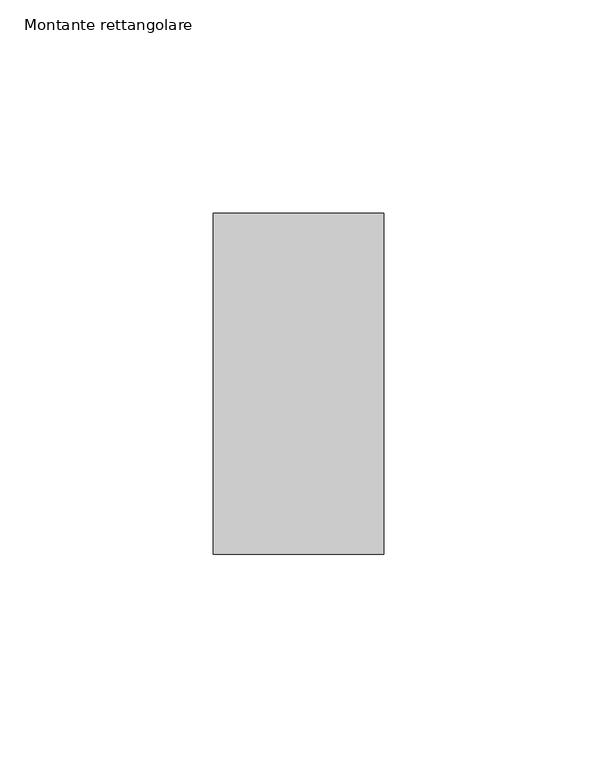
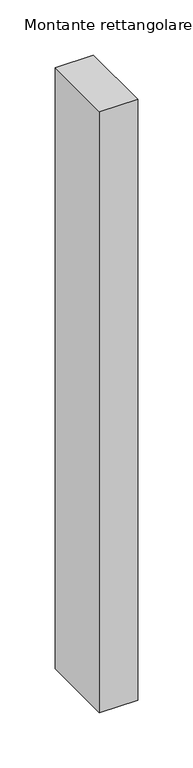
"""IFC4 building model written with IfcOpenShell, lengths in millimetres: member geometry, Montante rettangolare."""

import ifcopenshell
import ifcopenshell.guid

model = None  # the IFC model being written
_history = None  # IfcOwnerHistory: only IFC2X3 demands one
_inside = {}  # id of a spatial element -> (the spatial element, [elements in it])
_under = {}  # id of a project, library or spatial element -> (it, [spatial elements below it])
_declared = {}  # id of a project -> (the project, [libraries it declares])
_typed = {}  # id of a type object -> (the type object, [elements of that type])
_made_of = {}  # id of a material, layer set ... -> (it, [elements and type objects made of it])


def new_model(schema):
    """Start an empty IFC model of exactly this schema.

    Asked for "IFC4X3", IfcOpenShell would pick the latest addendum, in which some entities
    have other attributes; the version numbers below select the first issue.
    IFC2X3 requires an IfcOwnerHistory on every rooted entity: one is made here for all.
    """
    global model, _history
    if schema == "IFC4X3":
        model = ifcopenshell.file(schema_version=(4, 3, 0, 0))
    else:
        model = ifcopenshell.file(schema=schema)
    _inside.clear()
    _under.clear()
    _declared.clear()
    _typed.clear()
    _made_of.clear()
    _history = None
    if model.schema == "IFC2X3":
        org = make("IfcOrganization", Name="unknown")
        user = make(
            "IfcPersonAndOrganization",
            ThePerson=make("IfcPerson", FamilyName="unknown"),
            TheOrganization=org,
        )
        app = make(
            "IfcApplication",
            ApplicationDeveloper=org,
            Version="unknown",
            ApplicationFullName="unknown",
            ApplicationIdentifier="unknown",
        )
        _history = make(
            "IfcOwnerHistory",
            OwningUser=user,
            OwningApplication=app,
            ChangeAction="ADDED",
            CreationDate=0,
        )
    return model


def make(cls, **values):
    """One entity of the class cls with the attributes given. An attribute that is None is left unset."""
    return model.create_entity(
        cls, **{name: value for name, value in values.items() if value is not None}
    )


def rooted(cls, **values):
    """An entity with a GlobalId (a new one), such as an element, a storey or a relation."""
    return make(cls, GlobalId=ifcopenshell.guid.new(), OwnerHistory=_history, **values)


def si_unit(unit_type, name, prefix=None):
    """IfcSIUnit, for example si_unit("LENGTHUNIT", "METRE", prefix="MILLI")."""
    return make("IfcSIUnit", UnitType=unit_type, Prefix=prefix, Name=name)


def assignment(units):
    """IfcUnitAssignment: the units of a project."""
    return None if units is None else make("IfcUnitAssignment", Units=units)


def point(xyz):
    """IfcCartesianPoint."""
    return None if xyz is None else make("IfcCartesianPoint", Coordinates=xyz)


def direction(xyz):
    """IfcDirection."""
    return None if xyz is None else make("IfcDirection", DirectionRatios=xyz)


def frame(location, z_axis=None, x_axis=None):
    """IfcAxis2Placement3D, a coordinate frame: its origin and axes. An axis left out is left unset."""
    return make(
        "IfcAxis2Placement3D",
        Location=point(location),
        Axis=direction(z_axis),
        RefDirection=direction(x_axis),
    )


def origin():
    """The frame at (0, 0, 0) with its axes left unset."""
    return frame((0.0, 0.0, 0.0))


def place(relative_to, where):
    """IfcLocalPlacement: puts the frame where relative to a parent placement (None: the world)."""
    return make(
        "IfcLocalPlacement", PlacementRelTo=relative_to, RelativePlacement=where
    )


def context(
    kind, dimensions, precision=None, world=None, true_north=None, identifier=None
):
    """IfcGeometricRepresentationContext, for example the 3D "Model" context."""
    return make(
        "IfcGeometricRepresentationContext",
        ContextIdentifier=identifier,
        ContextType=kind,
        CoordinateSpaceDimension=dimensions,
        Precision=precision,
        WorldCoordinateSystem=world,
        TrueNorth=true_north,
    )


def project(units=None, contexts=None):
    """IfcProject with its units and contexts."""
    return rooted(
        "IfcProject",
        Name="project",
        RepresentationContexts=contexts,
        UnitsInContext=assignment(units),
    )


def spatial(cls, under=None, at=None, **own):
    """A site, building, storey or space (cls), placed at a placement, below another one or the project."""
    s = rooted(cls, ObjectPlacement=at, **own)
    if under is not None:
        _under.setdefault(under.id(), (under, []))[1].append(s)
    return s


def polyline(points):
    """IfcPolyline through the points."""
    return make("IfcPolyline", Points=[point(p) for p in points])


def outline(outer, holes=None, kind="AREA"):
    """IfcArbitraryClosedProfileDef: a profile drawn as a closed curve; with holes, ...WithVoids."""
    if holes is None:
        return make("IfcArbitraryClosedProfileDef", ProfileType=kind, OuterCurve=outer)
    return make(
        "IfcArbitraryProfileDefWithVoids",
        ProfileType=kind,
        OuterCurve=outer,
        InnerCurves=holes,
    )


def extrude(swept, where, along, depth):
    """IfcExtrudedAreaSolid: the profile swept, set in the frame where, extruded along a direction by depth."""
    return make(
        "IfcExtrudedAreaSolid",
        SweptArea=swept,
        Position=where,
        ExtrudedDirection=direction(along),
        Depth=depth,
    )


def shape(context_of_items, identifier, shape_type, items):
    """IfcShapeRepresentation: the items that make up one representation, for example the "Body"."""
    return make(
        "IfcShapeRepresentation",
        ContextOfItems=context_of_items,
        RepresentationIdentifier=identifier,
        RepresentationType=shape_type,
        Items=items,
    )


def source(mapping_origin, context_of_items, identifier, shape_type, items):
    """IfcRepresentationMap: a shape defined once, which mapped items show again and again."""
    return make(
        "IfcRepresentationMap",
        MappingOrigin=mapping_origin,
        MappedRepresentation=shape(context_of_items, identifier, shape_type, items),
    )


def transform(
    local_origin,
    x_axis=None,
    y_axis=None,
    z_axis=None,
    scale=None,
    scale2=None,
    scale3=None,
    uniform=True,
):
    """IfcCartesianTransformationOperator3D, or its non-uniform kind. x_axis, y_axis, z_axis: its Axis1, 2, 3."""
    if uniform:
        return make(
            "IfcCartesianTransformationOperator3D",
            Axis1=direction(x_axis),
            Axis2=direction(y_axis),
            LocalOrigin=point(local_origin),
            Scale=scale,
            Axis3=direction(z_axis),
        )
    return make(
        "IfcCartesianTransformationOperator3DnonUniform",
        Axis1=direction(x_axis),
        Axis2=direction(y_axis),
        LocalOrigin=point(local_origin),
        Scale=scale,
        Axis3=direction(z_axis),
        Scale2=scale2,
        Scale3=scale3,
    )


def mapped(mapping_source, mapping_target):
    """IfcMappedItem: shows the shape of a source again, moved by a transform."""
    return make(
        "IfcMappedItem", MappingSource=mapping_source, MappingTarget=mapping_target
    )


def made_of(thing, what):
    """Note that an element or type object is made of a material, layer set ...; save() writes the relation."""
    if what is not None:
        _made_of.setdefault(what.id(), (what, []))[1].append(thing)
    return thing


def element(
    cls,
    number,
    at=None,
    inside=None,
    cuts=None,
    type_object=None,
    material=None,
    context=None,
    identifier="Body",
    shape_type=None,
    held_by="IfcProductDefinitionShape",
    body=None,
    shapes=None,
    **own,
):
    """One element of the class cls, such as IfcWall. Its Tag is "e" and its number.

    at: its placement. inside: the storey or other place that contains it. cuts: it is an
    opening in that element (IfcRelVoidsElement). A single representation is given by context,
    identifier, shape_type and body (its items); several are given by shapes. held_by: the class
    of the entity that holds the representations. save() writes the other relations.
    """
    e = rooted(cls, Tag="e%d" % number, ObjectPlacement=at, **own)
    if body is not None:
        shapes = [shape(context, identifier, shape_type, body)]
    if shapes is not None:
        e.Representation = make(held_by, Representations=shapes)
    if inside is not None:
        _inside.setdefault(inside.id(), (inside, []))[1].append(e)
    if cuts is not None:
        rooted(
            "IfcRelVoidsElement", RelatingBuildingElement=cuts, RelatedOpeningElement=e
        )
    if type_object is not None:
        _typed.setdefault(type_object.id(), (type_object, []))[1].append(e)
    return made_of(e, material)


def aggregate(whole, parts):
    """IfcRelAggregates: a whole, such as a stair, and the parts it consists of."""
    return rooted("IfcRelAggregates", RelatingObject=whole, RelatedObjects=parts)


def save(model, path):
    """Write the relations noted so far, then the file.

    IfcRelAggregates (storeys below a building ...), IfcRelContainedInSpatialStructure (elements
    in a storey), IfcRelDefinesByType, IfcRelAssociatesMaterial and IfcRelDeclares: one each for
    every whole, place, type object, material and project.
    """
    for whole, parts in _under.values():
        aggregate(whole, parts)
    for where, things in _inside.values():
        rooted(
            "IfcRelContainedInSpatialStructure",
            RelatedElements=things,
            RelatingStructure=where,
        )
    for kind, things in _typed.values():
        rooted("IfcRelDefinesByType", RelatedObjects=things, RelatingType=kind)
    for what, things in _made_of.values():
        rooted("IfcRelAssociatesMaterial", RelatedObjects=things, RelatingMaterial=what)
    for by, libraries in _declared.values():
        rooted("IfcRelDeclares", RelatingContext=by, RelatedDefinitions=libraries)
    model.write(path)


def montante_rettangolare_e4d66d76(model_context):
    return source(origin(), model_context, "Body", "SweptSolid", [
        extrude(outline(polyline([(20.0, 60.0), (20.0, -20.0), (-20.0, -20.0), (-20.0, 60.0), (20.0, 60.0)])), frame((0.0, 0.0, -664.3835829), z_axis=(0.0, 0.0, 1.0), x_axis=(1.0, 0.0, 0.0)), (0.0, 0.0, 1.0), 664.3835829),
    ])


if __name__ == "__main__":
    model = new_model("IFC4")
    model_context = context("Model", 3, world=origin())
    ifc_project = project(units=[si_unit("LENGTHUNIT", "METRE", prefix="MILLI")], contexts=[model_context])
    site = spatial("IfcSite", under=ifc_project)
    building = spatial("IfcBuilding", under=site)
    placement = place(None, origin())
    montante_rettangolare_shape = montante_rettangolare_e4d66d76(model_context)
    element("IfcMember", 1, ObjectType="Montante rettangolare", at=placement, inside=building, context=model_context, shape_type="MappedRepresentation", body=[
        mapped(montante_rettangolare_shape, transform((0.0, 0.0, 0.0), x_axis=(1.0, 0.0, 0.0), y_axis=(0.0, 1.0, 0.0), z_axis=(0.0, 0.0, 1.0))),
    ])
    save(model, "model.ifc")
